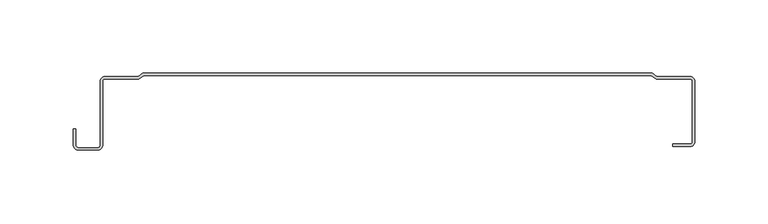
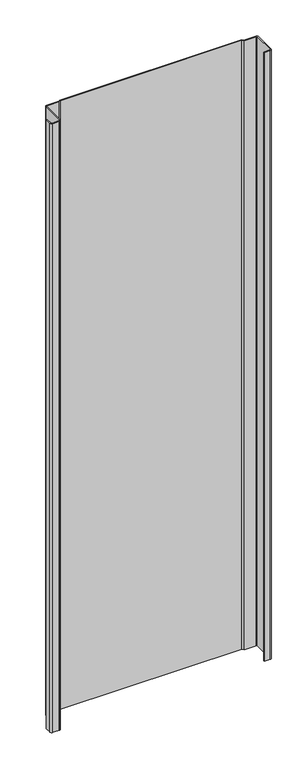
"""IFC4 building model written with IfcOpenShell, lengths in millimetres: plate geometry."""

import ifcopenshell
import ifcopenshell.guid

model = None  # the IFC model being written
_history = None  # IfcOwnerHistory: only IFC2X3 demands one
_inside = {}  # id of a spatial element -> (the spatial element, [elements in it])
_under = {}  # id of a project, library or spatial element -> (it, [spatial elements below it])
_declared = {}  # id of a project -> (the project, [libraries it declares])
_typed = {}  # id of a type object -> (the type object, [elements of that type])
_made_of = {}  # id of a material, layer set ... -> (it, [elements and type objects made of it])


def new_model(schema):
    """Start an empty IFC model of exactly this schema.

    Asked for "IFC4X3", IfcOpenShell would pick the latest addendum, in which some entities
    have other attributes; the version numbers below select the first issue.
    IFC2X3 requires an IfcOwnerHistory on every rooted entity: one is made here for all.
    """
    global model, _history
    if schema == "IFC4X3":
        model = ifcopenshell.file(schema_version=(4, 3, 0, 0))
    else:
        model = ifcopenshell.file(schema=schema)
    _inside.clear()
    _under.clear()
    _declared.clear()
    _typed.clear()
    _made_of.clear()
    _history = None
    if model.schema == "IFC2X3":
        org = make("IfcOrganization", Name="unknown")
        user = make(
            "IfcPersonAndOrganization",
            ThePerson=make("IfcPerson", FamilyName="unknown"),
            TheOrganization=org,
        )
        app = make(
            "IfcApplication",
            ApplicationDeveloper=org,
            Version="unknown",
            ApplicationFullName="unknown",
            ApplicationIdentifier="unknown",
        )
        _history = make(
            "IfcOwnerHistory",
            OwningUser=user,
            OwningApplication=app,
            ChangeAction="ADDED",
            CreationDate=0,
        )
    return model


def make(cls, **values):
    """One entity of the class cls with the attributes given. An attribute that is None is left unset."""
    return model.create_entity(
        cls, **{name: value for name, value in values.items() if value is not None}
    )


def rooted(cls, **values):
    """An entity with a GlobalId (a new one), such as an element, a storey or a relation."""
    return make(cls, GlobalId=ifcopenshell.guid.new(), OwnerHistory=_history, **values)


def si_unit(unit_type, name, prefix=None):
    """IfcSIUnit, for example si_unit("LENGTHUNIT", "METRE", prefix="MILLI")."""
    return make("IfcSIUnit", UnitType=unit_type, Prefix=prefix, Name=name)


def assignment(units):
    """IfcUnitAssignment: the units of a project."""
    return None if units is None else make("IfcUnitAssignment", Units=units)


def point(xyz):
    """IfcCartesianPoint."""
    return None if xyz is None else make("IfcCartesianPoint", Coordinates=xyz)


def direction(xyz):
    """IfcDirection."""
    return None if xyz is None else make("IfcDirection", DirectionRatios=xyz)


def frame(location, z_axis=None, x_axis=None):
    """IfcAxis2Placement3D, a coordinate frame: its origin and axes. An axis left out is left unset."""
    return make(
        "IfcAxis2Placement3D",
        Location=point(location),
        Axis=direction(z_axis),
        RefDirection=direction(x_axis),
    )


def frame_2d(location, x_axis=None):
    """IfcAxis2Placement2D, a coordinate frame in the plane: its origin and x axis."""
    return make(
        "IfcAxis2Placement2D", Location=point(location), RefDirection=direction(x_axis)
    )


def origin():
    """The frame at (0, 0, 0) with its axes left unset."""
    return frame((0.0, 0.0, 0.0))


def origin_with_axes():
    """The frame at (0, 0, 0) with the z axis (0, 0, 1) and the x axis (1, 0, 0) written out."""
    return frame((0.0, 0.0, 0.0), z_axis=(0.0, 0.0, 1.0), x_axis=(1.0, 0.0, 0.0))


def place(relative_to, where):
    """IfcLocalPlacement: puts the frame where relative to a parent placement (None: the world)."""
    return make(
        "IfcLocalPlacement", PlacementRelTo=relative_to, RelativePlacement=where
    )


def context(
    kind, dimensions, precision=None, world=None, true_north=None, identifier=None
):
    """IfcGeometricRepresentationContext, for example the 3D "Model" context."""
    return make(
        "IfcGeometricRepresentationContext",
        ContextIdentifier=identifier,
        ContextType=kind,
        CoordinateSpaceDimension=dimensions,
        Precision=precision,
        WorldCoordinateSystem=world,
        TrueNorth=true_north,
    )


def project(units=None, contexts=None):
    """IfcProject with its units and contexts."""
    return rooted(
        "IfcProject",
        Name="project",
        RepresentationContexts=contexts,
        UnitsInContext=assignment(units),
    )


def spatial(cls, under=None, at=None, **own):
    """A site, building, storey or space (cls), placed at a placement, below another one or the project."""
    s = rooted(cls, ObjectPlacement=at, **own)
    if under is not None:
        _under.setdefault(under.id(), (under, []))[1].append(s)
    return s


def polyline(points):
    """IfcPolyline through the points."""
    return make("IfcPolyline", Points=[point(p) for p in points])


def circle_curve(where, radius):
    """IfcCircle in the frame where."""
    return make("IfcCircle", Position=where, Radius=radius)


def trimmed(basis, trim1, trim2, sense, master):
    """IfcTrimmedCurve: the piece of a basis curve between two trims."""
    return make(
        "IfcTrimmedCurve",
        BasisCurve=basis,
        Trim1=trim1,
        Trim2=trim2,
        SenseAgreement=sense,
        MasterRepresentation=master,
    )


def segment(curve, same_sense, transition):
    """IfcCompositeCurveSegment."""
    return make(
        "IfcCompositeCurveSegment",
        Transition=transition,
        SameSense=same_sense,
        ParentCurve=curve,
    )


def composite_curve(segments, self_intersect=None):
    """IfcCompositeCurve: segments joined end to end."""
    return make("IfcCompositeCurve", Segments=segments, SelfIntersect=self_intersect)


def outline(outer, holes=None, kind="AREA"):
    """IfcArbitraryClosedProfileDef: a profile drawn as a closed curve; with holes, ...WithVoids."""
    if holes is None:
        return make("IfcArbitraryClosedProfileDef", ProfileType=kind, OuterCurve=outer)
    return make(
        "IfcArbitraryProfileDefWithVoids",
        ProfileType=kind,
        OuterCurve=outer,
        InnerCurves=holes,
    )


def extrude(swept, where, along, depth):
    """IfcExtrudedAreaSolid: the profile swept, set in the frame where, extruded along a direction by depth."""
    return make(
        "IfcExtrudedAreaSolid",
        SweptArea=swept,
        Position=where,
        ExtrudedDirection=direction(along),
        Depth=depth,
    )


def shape(context_of_items, identifier, shape_type, items):
    """IfcShapeRepresentation: the items that make up one representation, for example the "Body"."""
    return make(
        "IfcShapeRepresentation",
        ContextOfItems=context_of_items,
        RepresentationIdentifier=identifier,
        RepresentationType=shape_type,
        Items=items,
    )


def source(mapping_origin, context_of_items, identifier, shape_type, items):
    """IfcRepresentationMap: a shape defined once, which mapped items show again and again."""
    return make(
        "IfcRepresentationMap",
        MappingOrigin=mapping_origin,
        MappedRepresentation=shape(context_of_items, identifier, shape_type, items),
    )


def transform(
    local_origin,
    x_axis=None,
    y_axis=None,
    z_axis=None,
    scale=None,
    scale2=None,
    scale3=None,
    uniform=True,
):
    """IfcCartesianTransformationOperator3D, or its non-uniform kind. x_axis, y_axis, z_axis: its Axis1, 2, 3."""
    if uniform:
        return make(
            "IfcCartesianTransformationOperator3D",
            Axis1=direction(x_axis),
            Axis2=direction(y_axis),
            LocalOrigin=point(local_origin),
            Scale=scale,
            Axis3=direction(z_axis),
        )
    return make(
        "IfcCartesianTransformationOperator3DnonUniform",
        Axis1=direction(x_axis),
        Axis2=direction(y_axis),
        LocalOrigin=point(local_origin),
        Scale=scale,
        Axis3=direction(z_axis),
        Scale2=scale2,
        Scale3=scale3,
    )


def mapped(mapping_source, mapping_target):
    """IfcMappedItem: shows the shape of a source again, moved by a transform."""
    return make(
        "IfcMappedItem", MappingSource=mapping_source, MappingTarget=mapping_target
    )


def made_of(thing, what):
    """Note that an element or type object is made of a material, layer set ...; save() writes the relation."""
    if what is not None:
        _made_of.setdefault(what.id(), (what, []))[1].append(thing)
    return thing


def element(
    cls,
    number,
    at=None,
    inside=None,
    cuts=None,
    type_object=None,
    material=None,
    context=None,
    identifier="Body",
    shape_type=None,
    held_by="IfcProductDefinitionShape",
    body=None,
    shapes=None,
    **own,
):
    """One element of the class cls, such as IfcWall. Its Tag is "e" and its number.

    at: its placement. inside: the storey or other place that contains it. cuts: it is an
    opening in that element (IfcRelVoidsElement). A single representation is given by context,
    identifier, shape_type and body (its items); several are given by shapes. held_by: the class
    of the entity that holds the representations. save() writes the other relations.
    """
    e = rooted(cls, Tag="e%d" % number, ObjectPlacement=at, **own)
    if body is not None:
        shapes = [shape(context, identifier, shape_type, body)]
    if shapes is not None:
        e.Representation = make(held_by, Representations=shapes)
    if inside is not None:
        _inside.setdefault(inside.id(), (inside, []))[1].append(e)
    if cuts is not None:
        rooted(
            "IfcRelVoidsElement", RelatingBuildingElement=cuts, RelatedOpeningElement=e
        )
    if type_object is not None:
        _typed.setdefault(type_object.id(), (type_object, []))[1].append(e)
    return made_of(e, material)


def aggregate(whole, parts):
    """IfcRelAggregates: a whole, such as a stair, and the parts it consists of."""
    return rooted("IfcRelAggregates", RelatingObject=whole, RelatedObjects=parts)


def save(model, path):
    """Write the relations noted so far, then the file.

    IfcRelAggregates (storeys below a building ...), IfcRelContainedInSpatialStructure (elements
    in a storey), IfcRelDefinesByType, IfcRelAssociatesMaterial and IfcRelDeclares: one each for
    every whole, place, type object, material and project.
    """
    for whole, parts in _under.values():
        aggregate(whole, parts)
    for where, things in _inside.values():
        rooted(
            "IfcRelContainedInSpatialStructure",
            RelatedElements=things,
            RelatingStructure=where,
        )
    for kind, things in _typed.values():
        rooted("IfcRelDefinesByType", RelatedObjects=things, RelatingType=kind)
    for what, things in _made_of.values():
        rooted("IfcRelAssociatesMaterial", RelatedObjects=things, RelatingMaterial=what)
    for by, libraries in _declared.values():
        rooted("IfcRelDeclares", RelatingContext=by, RelatedDefinitions=libraries)
    model.write(path)


def plate_0d6cfb75(model_context):
    return source(origin(), model_context, "Body", "SweptSolid", [
        extrude(outline(composite_curve([segment(polyline([(188.1469081, -48.374053), (200.2262298, -48.374053)]), True, "CONTINUOUS"), segment(trimmed(circle_curve(frame_2d((200.2262298, -47.2180172)), 1.1560358), [point((200.2262298, -48.374053))], [point((201.3822657, -47.2180172))], True, "CARTESIAN"), True, "CONTINUOUS"), segment(polyline([(201.3822657, -47.2180172), (201.3822657, -5.1405575)]), True, "CONTINUOUS"), segment(trimmed(circle_curve(frame_2d((200.2262298, -5.1405575)), 1.1560358), [point((201.3822657, -5.1405575))], [point((200.2262298, -3.9845217))], True, "CARTESIAN"), True, "CONTINUOUS"), segment(polyline([(200.2262298, -3.9845217), (176.7421826, -3.9845217), (173.560222, -1.5980513), (-172.4402192, -1.5980513), (-175.6221797, -3.9845217), (-199.106227, -3.9845217)]), True, "CONTINUOUS"), segment(trimmed(circle_curve(frame_2d((-199.106227, -5.126492)), 1.1419703), [point((-199.106227, -3.9845217))], [point((-200.2481973, -5.126492))], True, "CARTESIAN"), True, "CONTINUOUS"), segment(polyline([(-200.2481973, -5.126492), (-200.2481973, -48.8784494)]), True, "CONTINUOUS"), segment(trimmed(circle_curve(frame_2d((-203.8791678, -48.8784494)), 3.6309705), [point((-200.2481973, -48.8784494))], [point((-203.8791678, -52.5094199))], False, "CARTESIAN"), True, "CONTINUOUS"), segment(polyline([(-203.8791678, -52.5094199), (-216.60701, -52.5094199)]), True, "CONTINUOUS"), segment(trimmed(circle_curve(frame_2d((-216.60701, -48.8784494)), 3.6309705), [point((-216.60701, -52.5094199))], [point((-220.2379805, -48.8784494))], False, "CARTESIAN"), True, "CONTINUOUS"), segment(polyline([(-220.2379805, -48.8784494), (-220.2379805, -38.1835265), (-218.6399292, -38.1835265), (-218.6399292, -48.8784494)]), True, "CONTINUOUS"), segment(trimmed(circle_curve(frame_2d((-216.60701, -48.8784494)), 2.0329192), [point((-218.6399292, -48.8784494))], [point((-216.60701, -50.9113686))], True, "CARTESIAN"), True, "CONTINUOUS"), segment(polyline([(-216.60701, -50.9113686), (-203.8791678, -50.9113686)]), True, "CONTINUOUS"), segment(trimmed(circle_curve(frame_2d((-203.8791678, -48.8784494)), 2.0329192), [point((-203.8791678, -50.9113686))], [point((-201.8462486, -48.8784494))], True, "CARTESIAN"), True, "CONTINUOUS"), segment(polyline([(-201.8462486, -48.8784494), (-201.8462486, -5.126492)]), True, "CONTINUOUS"), segment(trimmed(circle_curve(frame_2d((-199.106227, -5.126492)), 2.7400216), [point((-201.8462486, -5.126492))], [point((-199.106227, -2.3864704))], False, "CARTESIAN"), True, "CONTINUOUS"), segment(polyline([(-199.106227, -2.3864704), (-176.1548635, -2.3864704), (-172.972903, 0.0), (174.0929058, 0.0), (177.2748663, -2.3864704), (200.2262298, -2.3864704)]), True, "CONTINUOUS"), segment(trimmed(circle_curve(frame_2d((200.2595098, -5.1267585)), 2.7404902), [point((200.2262298, -2.3864704))], [point((203.0, -5.1267585))], False, "CARTESIAN"), True, "CONTINUOUS"), segment(polyline([(203.0, -5.1267585), (203.0, -47.2180172)]), True, "CONTINUOUS"), segment(trimmed(circle_curve(frame_2d((200.2262298, -47.2180172)), 2.7737702), [point((203.0, -47.2180172))], [point((200.2262298, -49.9917874))], False, "CARTESIAN"), True, "CONTINUOUS"), segment(polyline([(200.2262298, -49.9917874), (188.1469081, -49.9917874), (188.1469081, -48.374053)]), True, "CONTINUOUS")], self_intersect=False)), origin_with_axes(), (0.0, 0.0, 1.0), 1228.3559792),
    ])


if __name__ == "__main__":
    model = new_model("IFC4")
    model_context = context("Model", 3, world=origin())
    ifc_project = project(units=[si_unit("LENGTHUNIT", "METRE", prefix="MILLI")], contexts=[model_context])
    site = spatial("IfcSite", under=ifc_project)
    building = spatial("IfcBuilding", under=site)
    placement = place(None, origin())
    plate_shape = plate_0d6cfb75(model_context)
    element("IfcPlate", 1, at=placement, inside=building, context=model_context, shape_type="MappedRepresentation", body=[
        mapped(plate_shape, transform((0.0, 0.0, 0.0), x_axis=(1.0, 0.0, 0.0), y_axis=(0.0, 1.0, 0.0), z_axis=(0.0, 0.0, 1.0))),
    ])
    save(model, "model.ifc")
